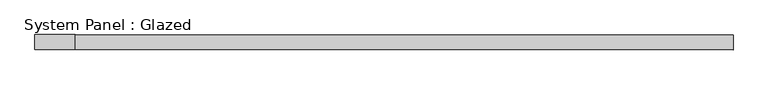
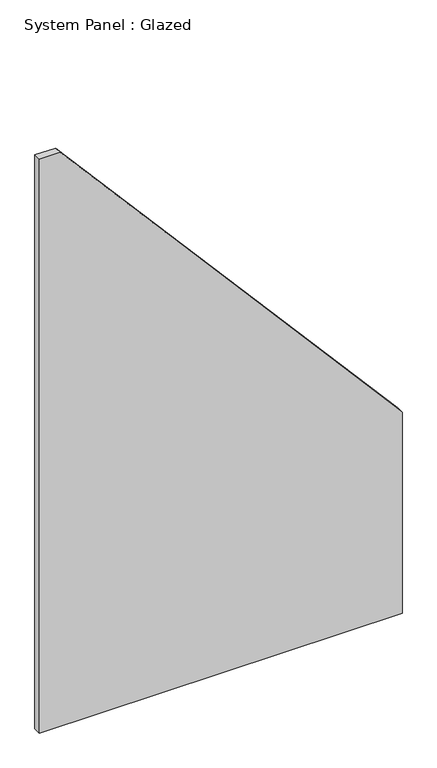
"""IFC4 building model written with IfcOpenShell, lengths in millimetres: plate geometry, System Panel : Glazed."""

import ifcopenshell
import ifcopenshell.guid

model = None  # the IFC model being written
_history = None  # IfcOwnerHistory: only IFC2X3 demands one
_inside = {}  # id of a spatial element -> (the spatial element, [elements in it])
_under = {}  # id of a project, library or spatial element -> (it, [spatial elements below it])
_declared = {}  # id of a project -> (the project, [libraries it declares])
_typed = {}  # id of a type object -> (the type object, [elements of that type])
_made_of = {}  # id of a material, layer set ... -> (it, [elements and type objects made of it])


def new_model(schema):
    """Start an empty IFC model of exactly this schema.

    Asked for "IFC4X3", IfcOpenShell would pick the latest addendum, in which some entities
    have other attributes; the version numbers below select the first issue.
    IFC2X3 requires an IfcOwnerHistory on every rooted entity: one is made here for all.
    """
    global model, _history
    if schema == "IFC4X3":
        model = ifcopenshell.file(schema_version=(4, 3, 0, 0))
    else:
        model = ifcopenshell.file(schema=schema)
    _inside.clear()
    _under.clear()
    _declared.clear()
    _typed.clear()
    _made_of.clear()
    _history = None
    if model.schema == "IFC2X3":
        org = make("IfcOrganization", Name="unknown")
        user = make(
            "IfcPersonAndOrganization",
            ThePerson=make("IfcPerson", FamilyName="unknown"),
            TheOrganization=org,
        )
        app = make(
            "IfcApplication",
            ApplicationDeveloper=org,
            Version="unknown",
            ApplicationFullName="unknown",
            ApplicationIdentifier="unknown",
        )
        _history = make(
            "IfcOwnerHistory",
            OwningUser=user,
            OwningApplication=app,
            ChangeAction="ADDED",
            CreationDate=0,
        )
    return model


def make(cls, **values):
    """One entity of the class cls with the attributes given. An attribute that is None is left unset."""
    return model.create_entity(
        cls, **{name: value for name, value in values.items() if value is not None}
    )


def rooted(cls, **values):
    """An entity with a GlobalId (a new one), such as an element, a storey or a relation."""
    return make(cls, GlobalId=ifcopenshell.guid.new(), OwnerHistory=_history, **values)


def si_unit(unit_type, name, prefix=None):
    """IfcSIUnit, for example si_unit("LENGTHUNIT", "METRE", prefix="MILLI")."""
    return make("IfcSIUnit", UnitType=unit_type, Prefix=prefix, Name=name)


def assignment(units):
    """IfcUnitAssignment: the units of a project."""
    return None if units is None else make("IfcUnitAssignment", Units=units)


def point(xyz):
    """IfcCartesianPoint."""
    return None if xyz is None else make("IfcCartesianPoint", Coordinates=xyz)


def direction(xyz):
    """IfcDirection."""
    return None if xyz is None else make("IfcDirection", DirectionRatios=xyz)


def frame(location, z_axis=None, x_axis=None):
    """IfcAxis2Placement3D, a coordinate frame: its origin and axes. An axis left out is left unset."""
    return make(
        "IfcAxis2Placement3D",
        Location=point(location),
        Axis=direction(z_axis),
        RefDirection=direction(x_axis),
    )


def origin():
    """The frame at (0, 0, 0) with its axes left unset."""
    return frame((0.0, 0.0, 0.0))


def place(relative_to, where):
    """IfcLocalPlacement: puts the frame where relative to a parent placement (None: the world)."""
    return make(
        "IfcLocalPlacement", PlacementRelTo=relative_to, RelativePlacement=where
    )


def context(
    kind, dimensions, precision=None, world=None, true_north=None, identifier=None
):
    """IfcGeometricRepresentationContext, for example the 3D "Model" context."""
    return make(
        "IfcGeometricRepresentationContext",
        ContextIdentifier=identifier,
        ContextType=kind,
        CoordinateSpaceDimension=dimensions,
        Precision=precision,
        WorldCoordinateSystem=world,
        TrueNorth=true_north,
    )


def project(units=None, contexts=None):
    """IfcProject with its units and contexts."""
    return rooted(
        "IfcProject",
        Name="project",
        RepresentationContexts=contexts,
        UnitsInContext=assignment(units),
    )


def spatial(cls, under=None, at=None, **own):
    """A site, building, storey or space (cls), placed at a placement, below another one or the project."""
    s = rooted(cls, ObjectPlacement=at, **own)
    if under is not None:
        _under.setdefault(under.id(), (under, []))[1].append(s)
    return s


def polyline(points):
    """IfcPolyline through the points."""
    return make("IfcPolyline", Points=[point(p) for p in points])


def outline(outer, holes=None, kind="AREA"):
    """IfcArbitraryClosedProfileDef: a profile drawn as a closed curve; with holes, ...WithVoids."""
    if holes is None:
        return make("IfcArbitraryClosedProfileDef", ProfileType=kind, OuterCurve=outer)
    return make(
        "IfcArbitraryProfileDefWithVoids",
        ProfileType=kind,
        OuterCurve=outer,
        InnerCurves=holes,
    )


def extrude(swept, where, along, depth):
    """IfcExtrudedAreaSolid: the profile swept, set in the frame where, extruded along a direction by depth."""
    return make(
        "IfcExtrudedAreaSolid",
        SweptArea=swept,
        Position=where,
        ExtrudedDirection=direction(along),
        Depth=depth,
    )


def shape(context_of_items, identifier, shape_type, items):
    """IfcShapeRepresentation: the items that make up one representation, for example the "Body"."""
    return make(
        "IfcShapeRepresentation",
        ContextOfItems=context_of_items,
        RepresentationIdentifier=identifier,
        RepresentationType=shape_type,
        Items=items,
    )


def source(mapping_origin, context_of_items, identifier, shape_type, items):
    """IfcRepresentationMap: a shape defined once, which mapped items show again and again."""
    return make(
        "IfcRepresentationMap",
        MappingOrigin=mapping_origin,
        MappedRepresentation=shape(context_of_items, identifier, shape_type, items),
    )


def transform(
    local_origin,
    x_axis=None,
    y_axis=None,
    z_axis=None,
    scale=None,
    scale2=None,
    scale3=None,
    uniform=True,
):
    """IfcCartesianTransformationOperator3D, or its non-uniform kind. x_axis, y_axis, z_axis: its Axis1, 2, 3."""
    if uniform:
        return make(
            "IfcCartesianTransformationOperator3D",
            Axis1=direction(x_axis),
            Axis2=direction(y_axis),
            LocalOrigin=point(local_origin),
            Scale=scale,
            Axis3=direction(z_axis),
        )
    return make(
        "IfcCartesianTransformationOperator3DnonUniform",
        Axis1=direction(x_axis),
        Axis2=direction(y_axis),
        LocalOrigin=point(local_origin),
        Scale=scale,
        Axis3=direction(z_axis),
        Scale2=scale2,
        Scale3=scale3,
    )


def mapped(mapping_source, mapping_target):
    """IfcMappedItem: shows the shape of a source again, moved by a transform."""
    return make(
        "IfcMappedItem", MappingSource=mapping_source, MappingTarget=mapping_target
    )


def made_of(thing, what):
    """Note that an element or type object is made of a material, layer set ...; save() writes the relation."""
    if what is not None:
        _made_of.setdefault(what.id(), (what, []))[1].append(thing)
    return thing


def element(
    cls,
    number,
    at=None,
    inside=None,
    cuts=None,
    type_object=None,
    material=None,
    context=None,
    identifier="Body",
    shape_type=None,
    held_by="IfcProductDefinitionShape",
    body=None,
    shapes=None,
    **own,
):
    """One element of the class cls, such as IfcWall. Its Tag is "e" and its number.

    at: its placement. inside: the storey or other place that contains it. cuts: it is an
    opening in that element (IfcRelVoidsElement). A single representation is given by context,
    identifier, shape_type and body (its items); several are given by shapes. held_by: the class
    of the entity that holds the representations. save() writes the other relations.
    """
    e = rooted(cls, Tag="e%d" % number, ObjectPlacement=at, **own)
    if body is not None:
        shapes = [shape(context, identifier, shape_type, body)]
    if shapes is not None:
        e.Representation = make(held_by, Representations=shapes)
    if inside is not None:
        _inside.setdefault(inside.id(), (inside, []))[1].append(e)
    if cuts is not None:
        rooted(
            "IfcRelVoidsElement", RelatingBuildingElement=cuts, RelatedOpeningElement=e
        )
    if type_object is not None:
        _typed.setdefault(type_object.id(), (type_object, []))[1].append(e)
    return made_of(e, material)


def aggregate(whole, parts):
    """IfcRelAggregates: a whole, such as a stair, and the parts it consists of."""
    return rooted("IfcRelAggregates", RelatingObject=whole, RelatedObjects=parts)


def save(model, path):
    """Write the relations noted so far, then the file.

    IfcRelAggregates (storeys below a building ...), IfcRelContainedInSpatialStructure (elements
    in a storey), IfcRelDefinesByType, IfcRelAssociatesMaterial and IfcRelDeclares: one each for
    every whole, place, type object, material and project.
    """
    for whole, parts in _under.values():
        aggregate(whole, parts)
    for where, things in _inside.values():
        rooted(
            "IfcRelContainedInSpatialStructure",
            RelatedElements=things,
            RelatingStructure=where,
        )
    for kind, things in _typed.values():
        rooted("IfcRelDefinesByType", RelatedObjects=things, RelatingType=kind)
    for what, things in _made_of.values():
        rooted("IfcRelAssociatesMaterial", RelatedObjects=things, RelatingMaterial=what)
    for by, libraries in _declared.values():
        rooted("IfcRelDeclares", RelatingContext=by, RelatedDefinitions=libraries)
    model.write(path)


def system_panel_glazed_31a5dad9(model_context):
    return source(origin(), model_context, "Body", "SweptSolid", [
        extrude(outline(polyline([(0.0, -580.0), (0.0, 580.0), (678.3463002, 580.0), (1940.0, -512.6241548), (1940.0, -580.0), (0.0, -580.0)])), frame((0.0, 24.5, 0.0), z_axis=(0.0, 1.0, 0.0), x_axis=(0.0, 0.0, 1.0)), (0.0, 0.0, 1.0), 25.0),
    ])


if __name__ == "__main__":
    model = new_model("IFC4")
    model_context = context("Model", 3, world=origin())
    ifc_project = project(units=[si_unit("LENGTHUNIT", "METRE", prefix="MILLI")], contexts=[model_context])
    site = spatial("IfcSite", under=ifc_project)
    building = spatial("IfcBuilding", under=site)
    placement = place(None, origin())
    system_panel_glazed_shape = system_panel_glazed_31a5dad9(model_context)
    element("IfcPlate", 1, ObjectType="System Panel : Glazed", at=placement, inside=building, context=model_context, shape_type="MappedRepresentation", body=[
        mapped(system_panel_glazed_shape, transform((0.0, 0.0, 0.0), x_axis=(1.0, 0.0, 0.0), y_axis=(0.0, 1.0, 0.0), z_axis=(0.0, 0.0, 1.0))),
    ])
    save(model, "model.ifc")
